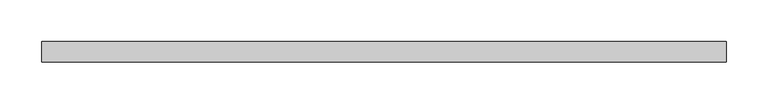
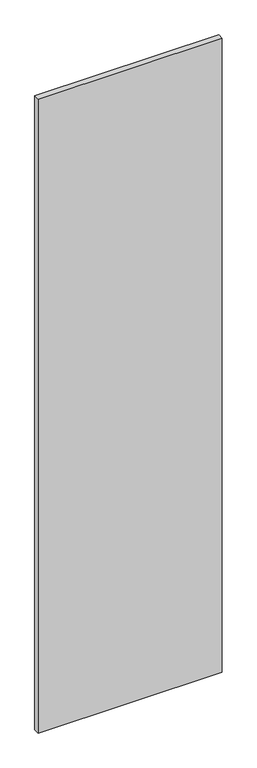
"""IFC4 building model written with IfcOpenShell, lengths in millimetres: plate geometry."""

from ifc_helpers import new_model, si_unit, origin, origin_with_axes, place, context, project, spatial, polyline, outline, extrude, source, transform, mapped, element, save


def plate_b3ee0a74(model_context):
    return source(origin(), model_context, "Body", "SweptSolid", [
        extrude(outline(polyline([(412.4999998, 24.5), (-412.4999998, 24.5), (-412.4999998, 49.5), (412.4999998, 49.5), (412.4999998, 24.5)])), origin_with_axes(), (0.0, 0.0, 1.0), 3000.0),
    ])


if __name__ == "__main__":
    model = new_model("IFC4")
    model_context = context("Model", 3, world=origin())
    ifc_project = project(units=[si_unit("LENGTHUNIT", "METRE", prefix="MILLI")], contexts=[model_context])
    site = spatial("IfcSite", under=ifc_project)
    building = spatial("IfcBuilding", under=site)
    placement = place(None, origin())
    plate_shape = plate_b3ee0a74(model_context)
    element("IfcPlate", 1, at=placement, inside=building, context=model_context, shape_type="MappedRepresentation", body=[
        mapped(plate_shape, transform((0.0, 0.0, 0.0), x_axis=(1.0, 0.0, 0.0), y_axis=(0.0, 1.0, 0.0), z_axis=(0.0, 0.0, 1.0))),
    ])
    save(model, "model.ifc")
